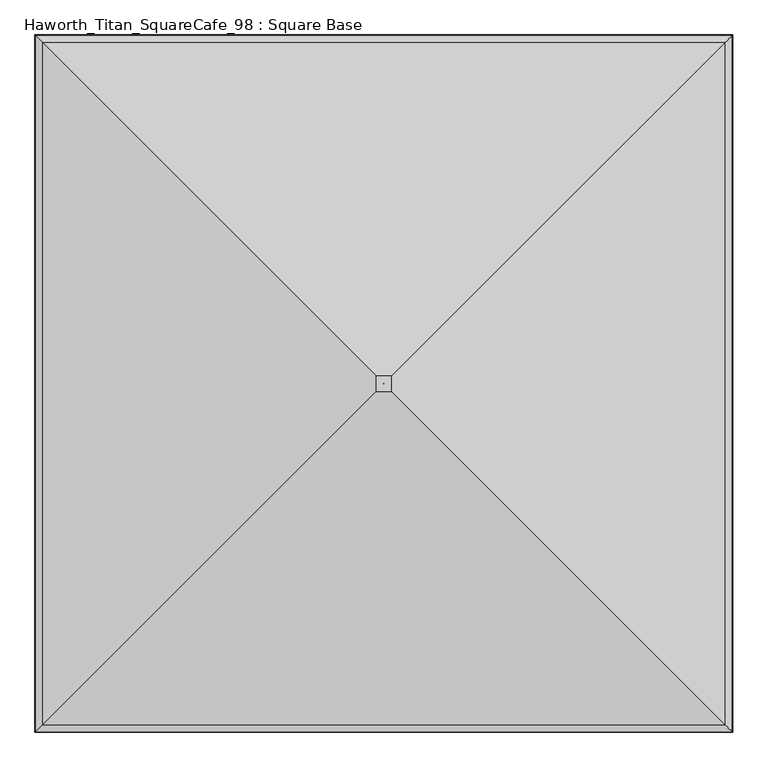
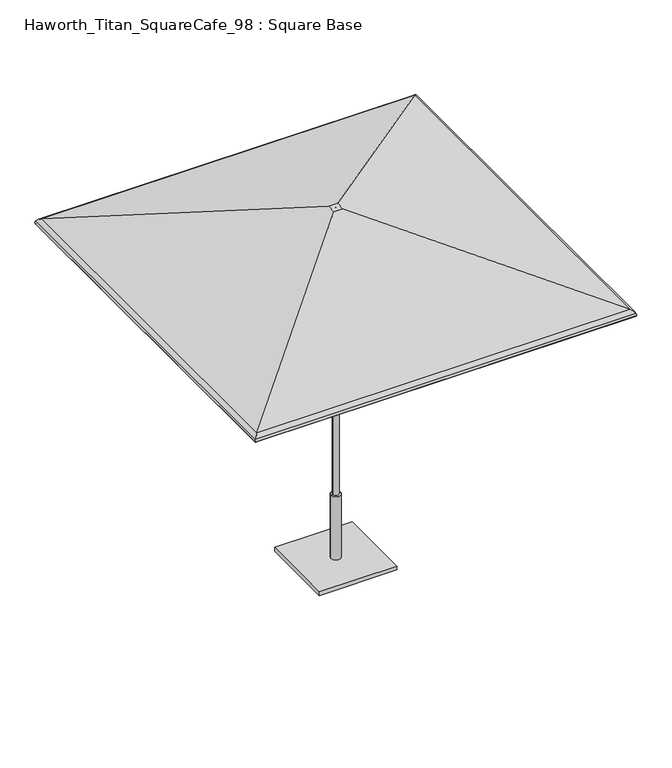
"""IFC4 building model written with IfcOpenShell, lengths in millimetres: furniture geometry, Haworth_Titan_SquareCafe_98 : Square Base."""

from ifc_helpers import new_model, si_unit, frame, origin, origin_with_axes, place, context, project, spatial, polyline, circle_curve, ellipse_curve, outline, extrude, source, transform, mapped, element, save
from ifc_brep_helpers import plane_surface, cylinder_surface, revolved_surface, advanced_brep


def haworth_titan_squarecafe_98_square_base_a82ced03(model_context):
    return source(origin(), model_context, "Body", "SolidModel", [
        advanced_brep(
        [(1223.4008004, -1227.8003535, 2056.1384861), (29.1271987, -33.5267518, 2448.9851097), (-29.1271987, -33.5267518, 2448.9851097), (-1223.4008004, -1227.8003535, 2056.1384861), (1247.9240129, -1252.323566, 2036.3991387), (-1247.9240129, -1252.323566, 2036.3991387), (1250.4423911, -1254.8419442, 2016.9581742), (-1250.4423911, -1254.8419442, 2016.9581742), (1246.050839, -1250.4503921, 2018.201129), (-1246.050839, -1250.4503921, 2018.201129), (1243.9941233, -1248.3936765, 2034.0782262), (-1243.9941233, -1248.3936765, 2034.0782262), (1221.9738888, -1226.3734419, 2051.8032133), (-1221.9738888, -1226.3734419, 2051.8032133), (28.3958193, -32.7953724, 2444.4210472), (-28.3958193, -32.7953724, 2444.4210472), (0.1068966, -4.5064497, 2448.9851097), (0.1068966, -4.5064497, 2444.4210472), (-0.1068966, -4.5064497, 2444.4210472), (-0.1068966, -4.5064497, 2448.9851097), (-29.1271987, 25.4668702, 2448.9851097), (-1223.4008004, 1219.740472, 2056.1384861), (-1247.9240129, 1244.2636844, 2036.3991387), (-1250.4423911, 1246.7820627, 2016.9581742), (-1246.050839, 1242.3905106, 2018.201129), (-1243.9941233, 1240.3337949, 2034.0782262), (-1221.9738888, 1218.3135603, 2051.8032133), (-28.3958193, 24.7354908, 2444.4210472), (-0.1068966, -3.5534318, 2444.4210472), (-0.1068966, -3.5534318, 2448.9851097), (29.1271987, 25.4668702, 2448.9851097), (1223.4008004, 1219.740472, 2056.1384861), (1247.9240129, 1244.2636844, 2036.3991387), (1250.4423911, 1246.7820627, 2016.9581742), (1246.050839, 1242.3905106, 2018.201129), (1243.9941233, 1240.3337949, 2034.0782262), (1221.9738888, 1218.3135603, 2051.8032133), (28.3958193, 24.7354908, 2444.4210472), (0.1068966, -3.5534318, 2444.4210472), (0.1068966, -3.5534318, 2448.9851097)],
        [
            (0, 1),
            (1, 2),
            (2, 3),
            (3, 0),
            (4, 0, ellipse_curve(frame((1209.4091708, -1213.8087239, 2013.6530594), z_axis=(-0.707106781186547, -0.7071067811865481, 0.0), x_axis=(0.707106781186548, -0.7071067811865471, 0.0)), 63.2578403, 44.7300479)),
            (3, 5, ellipse_curve(frame((-1209.4091708, -1213.8087239, 2013.6530594), z_axis=(0.7071067811865491, -0.7071067811865459, 0.0), x_axis=(0.7071067811865458, 0.7071067811865491, 0.0)), 63.2578403, 44.7300479)),
            (5, 4),
            (6, 4, ellipse_curve(frame((1226.48639, -1230.8859431, 2023.7385164), z_axis=(-0.707106781186547, -0.7071067811865481, 0.0), x_axis=(0.707106781186548, -0.7071067811865471, 0.0)), 35.2097438, 24.8970486)),
            (5, 7, ellipse_curve(frame((-1226.48639, -1230.8859431, 2023.7385164), z_axis=(0.7071067811865491, -0.7071067811865459, 0.0), x_axis=(0.7071067811865458, 0.7071067811865491, 0.0)), 35.2097438, 24.8970486)),
            (7, 6),
            (8, 6, ellipse_curve(frame((1248.2466151, -1252.6461682, 2017.5796516), z_axis=(-0.707106781186547, -0.7071067811865481, 0.0), x_axis=(0.707106781186548, -0.7071067811865471, 0.0)), 3.2272795, 2.2820312)),
            (7, 9, ellipse_curve(frame((-1248.2466151, -1252.6461682, 2017.5796516), z_axis=(0.7071067811865491, -0.7071067811865459, 0.0), x_axis=(0.7071067811865458, 0.7071067811865491, 0.0)), 3.2272795, 2.2820312)),
            (9, 8),
            (10, 8, ellipse_curve(frame((1226.48639, -1230.8859431, 2023.7385164), z_axis=(0.707106781186547, 0.7071067811865481, 0.0), x_axis=(-0.707106781186548, 0.7071067811865471, 0.0)), 28.7551847, 20.3329861)),
            (9, 11, ellipse_curve(frame((-1226.48639, -1230.8859431, 2023.7385164), z_axis=(-0.7071067811865491, 0.7071067811865459, 0.0), x_axis=(-0.7071067811865458, -0.7071067811865491, 0.0)), 28.7551847, 20.3329861)),
            (11, 10),
            (12, 10, ellipse_curve(frame((1209.4091708, -1213.8087239, 2013.6530594), z_axis=(0.707106781186547, 0.7071067811865481, 0.0), x_axis=(-0.707106781186548, 0.7071067811865471, 0.0)), 56.8032813, 40.1659854)),
            (11, 13, ellipse_curve(frame((-1209.4091708, -1213.8087239, 2013.6530594), z_axis=(-0.7071067811865491, 0.7071067811865459, 0.0), x_axis=(-0.7071067811865458, -0.7071067811865491, 0.0)), 56.8032813, 40.1659854)),
            (13, 12),
            (14, 12),
            (13, 15),
            (15, 14),
            (16, 17),
            (17, 18),
            (18, 19),
            (19, 16),
            (2, 20),
            (20, 21),
            (21, 3),
            (21, 22, ellipse_curve(frame((-1209.4091708, 1205.7488423, 2013.6530594), z_axis=(-0.7071067811865482, -0.7071067811865469, 0.0), x_axis=(0.707106781186547, -0.707106781186548, 0.0)), 63.2578403, 44.7300479)),
            (22, 5),
            (22, 23, ellipse_curve(frame((-1226.48639, 1222.8260616, 2023.7385164), z_axis=(-0.7071067811865482, -0.7071067811865469, 0.0), x_axis=(0.707106781186547, -0.707106781186548, 0.0)), 35.2097438, 24.8970486)),
            (23, 7),
            (23, 24, ellipse_curve(frame((-1248.2466151, 1244.5862866, 2017.5796516), z_axis=(-0.7071067811865482, -0.7071067811865469, 0.0), x_axis=(0.707106781186547, -0.707106781186548, 0.0)), 3.2272795, 2.2820312)),
            (24, 9),
            (24, 25, ellipse_curve(frame((-1226.48639, 1222.8260616, 2023.7385164), z_axis=(0.7071067811865482, 0.7071067811865469, 0.0), x_axis=(-0.707106781186547, 0.707106781186548, 0.0)), 28.7551847, 20.3329861)),
            (25, 11),
            (25, 26, ellipse_curve(frame((-1209.4091708, 1205.7488423, 2013.6530594), z_axis=(0.7071067811865482, 0.7071067811865469, 0.0), x_axis=(-0.707106781186547, 0.707106781186548, 0.0)), 56.8032813, 40.1659854)),
            (26, 13),
            (26, 27),
            (27, 15),
            (18, 28),
            (28, 29),
            (29, 19),
            (20, 30),
            (30, 31),
            (31, 21),
            (31, 32, ellipse_curve(frame((1209.4091708, 1205.7488423, 2013.6530594), z_axis=(-0.7071067811865458, 0.7071067811865492, 0.0), x_axis=(-0.7071067811865492, -0.7071067811865458, 0.0)), 63.2578403, 44.7300479)),
            (32, 22),
            (32, 33, ellipse_curve(frame((1226.48639, 1222.8260616, 2023.7385164), z_axis=(-0.7071067811865458, 0.7071067811865492, 0.0), x_axis=(-0.7071067811865492, -0.7071067811865458, 0.0)), 35.2097438, 24.8970486)),
            (33, 23),
            (33, 34, ellipse_curve(frame((1248.2466151, 1244.5862866, 2017.5796516), z_axis=(-0.7071067811865458, 0.7071067811865492, 0.0), x_axis=(-0.7071067811865492, -0.7071067811865458, 0.0)), 3.2272795, 2.2820312)),
            (34, 24),
            (34, 35, ellipse_curve(frame((1226.48639, 1222.8260616, 2023.7385164), z_axis=(0.7071067811865458, -0.7071067811865492, 0.0), x_axis=(0.7071067811865492, 0.7071067811865458, 0.0)), 28.7551847, 20.3329861)),
            (35, 25),
            (35, 36, ellipse_curve(frame((1209.4091708, 1205.7488423, 2013.6530594), z_axis=(0.7071067811865458, -0.7071067811865492, 0.0), x_axis=(0.7071067811865492, 0.7071067811865458, 0.0)), 56.8032813, 40.1659854)),
            (36, 26),
            (36, 37),
            (37, 27),
            (28, 38),
            (38, 39),
            (39, 29),
            (30, 1),
            (0, 31),
            (4, 32),
            (6, 33),
            (8, 34),
            (10, 35),
            (12, 36),
            (14, 37),
            (17, 38),
            (16, 39),
        ],
        [
            plane_surface(frame((29.1271987, -33.5267518, 2448.9851097), z_axis=(0.0, -0.3124708984398308, 0.9499273328145712), x_axis=(-1.0, 0.0, 0.0))),
            cylinder_surface(frame((1267.8016718, -1213.8087239, 2013.6530594), z_axis=(1.0, 0.0, 0.0), x_axis=(0.0, -1.0, 0.0)), 44.7300479),
            cylinder_surface(frame((1267.8016718, -1230.8859431, 2023.7385164), z_axis=(1.0, 0.0, 0.0), x_axis=(0.0, -1.0, 0.0)), 24.8970486),
            cylinder_surface(frame((1267.8016718, -1252.6461682, 2017.5796516), z_axis=(1.0, 0.0, 0.0), x_axis=(0.0, -1.0, 0.0)), 2.2820312),
            revolved_surface(polyline([(-1246.8193760956415, -1251.2189292, 2023.7385164), (1246.8193760956417, -1251.2189292, 2023.7385164)]), (1267.8016718, -1230.8859431, 2023.7385164), (-1.0, 0.0, 0.0)),
            revolved_surface(polyline([(-1249.5751562008768, -1253.9747092999999, 2013.6530594), (1249.575156200877, -1253.9747092999999, 2013.6530594)]), (1267.8016718, -1213.8087239, 2013.6530594), (-1.0, 0.0, 0.0)),
            plane_surface(frame((1221.9738888, -1226.3734419, 2051.8032133), z_axis=(0.0, 0.3124708984398308, -0.9499273328145712), x_axis=(-1.0, 0.0, 0.0))),
            plane_surface(frame((0.1068966, -4.5064497, 2444.4210472), z_axis=(-1.2662550629033169e-12, 1.0, 0.0), x_axis=(-1.0, -1.2662550629033169e-12, 0.0))),
            plane_surface(frame((-29.1271987, -33.5267518, 2448.9851097), z_axis=(-0.3124708984398277, 0.0, 0.9499273328145722), x_axis=(0.0, 1.0, 0.0))),
            cylinder_surface(frame((-1209.4091708, -1272.2012249, 2013.6530594), z_axis=(0.0, -1.0, 0.0), x_axis=(-1.0, 0.0, 0.0)), 44.7300479),
            cylinder_surface(frame((-1226.48639, -1272.2012249, 2023.7385164), z_axis=(0.0, -1.0, 0.0), x_axis=(-1.0, 0.0, 0.0)), 24.8970486),
            cylinder_surface(frame((-1248.2466151, -1272.2012249, 2017.5796516), z_axis=(0.0, -1.0, 0.0), x_axis=(-1.0, 0.0, 0.0)), 2.2820312),
            revolved_surface(polyline([(-1246.8193761, 1243.1590476956417, 2023.7385164), (-1246.8193761, -1251.2189291956417, 2023.7385164)]), (-1226.48639, -1272.2012249, 2023.7385164), (0.0, 1.0, 0.0)),
            revolved_surface(polyline([(-1249.5751562, 1245.9148277008771, 2013.6530594), (-1249.5751562, -1253.974709300877, 2013.6530594)]), (-1209.4091708, -1272.2012249, 2013.6530594), (0.0, 1.0, 0.0)),
            plane_surface(frame((-1221.9738888, -1226.3734419, 2051.8032133), z_axis=(0.3124708984398277, 0.0, -0.9499273328145722), x_axis=(0.0, 1.0, 0.0))),
            plane_surface(frame((-0.1068966, -4.5064497, 2444.4210472), z_axis=(1.0, 0.0, 0.0), x_axis=(0.0, 1.0, 0.0))),
            plane_surface(frame((-29.1271987, 25.4668702, 2448.9851097), z_axis=(0.0, 0.31247089843983084, 0.9499273328145712), x_axis=(1.0, 0.0, 0.0))),
            cylinder_surface(frame((-1267.8016718, 1205.7488423, 2013.6530594), z_axis=(-1.0, 0.0, 0.0), x_axis=(0.0, 1.0, 0.0)), 44.7300479),
            cylinder_surface(frame((-1267.8016718, 1222.8260616, 2023.7385164), z_axis=(-1.0, 0.0, 0.0), x_axis=(0.0, 1.0, 0.0)), 24.8970486),
            cylinder_surface(frame((-1267.8016718, 1244.5862866, 2017.5796516), z_axis=(-1.0, 0.0, 0.0), x_axis=(0.0, 1.0, 0.0)), 2.2820312),
            revolved_surface(polyline([(1246.819376095642, 1243.1590477, 2023.7385164), (-1246.8193760956417, 1243.1590477, 2023.7385164)]), (-1267.8016718, 1222.8260616, 2023.7385164), (1.0, 0.0, 0.0)),
            revolved_surface(polyline([(1249.5751562008772, 1245.9148277, 2013.6530594), (-1249.575156200877, 1245.9148277, 2013.6530594)]), (-1267.8016718, 1205.7488423, 2013.6530594), (1.0, 0.0, 0.0)),
            plane_surface(frame((-1221.9738888, 1218.3135603, 2051.8032133), z_axis=(0.0, -0.31247089843983084, -0.9499273328145712), x_axis=(1.0, 0.0, 0.0))),
            plane_surface(frame((-0.1068966, -3.5534318, 2444.4210472), z_axis=(-1.2662550628904897e-12, -1.0, 0.0), x_axis=(1.0, -1.2662550628904897e-12, 0.0))),
            plane_surface(frame((29.1271987, 25.4668702, 2448.9851097), z_axis=(0.312470898439834, 0.0, 0.9499273328145701), x_axis=(0.0, -1.0, 0.0))),
            cylinder_surface(frame((1209.4091708, 1264.1413433, 2013.6530594), z_axis=(0.0, 1.0, 0.0), x_axis=(1.0, 0.0, 0.0)), 44.7300479),
            cylinder_surface(frame((1226.48639, 1264.1413433, 2023.7385164), z_axis=(0.0, 1.0, 0.0), x_axis=(1.0, 0.0, 0.0)), 24.8970486),
            cylinder_surface(frame((1248.2466151, 1264.1413433, 2017.5796516), z_axis=(0.0, 1.0, 0.0), x_axis=(1.0, 0.0, 0.0)), 2.2820312),
            revolved_surface(polyline([(1246.8193761, -1251.2189291956413, 2023.7385164), (1246.8193761, 1243.1590476956417, 2023.7385164)]), (1226.48639, 1264.1413433, 2023.7385164), (0.0, -1.0, 0.0)),
            revolved_surface(polyline([(1249.5751562, -1253.974709300877, 2013.6530594), (1249.5751562, 1245.914827700877, 2013.6530594)]), (1209.4091708, 1264.1413433, 2013.6530594), (0.0, -1.0, 0.0)),
            plane_surface(frame((1221.9738888, 1218.3135603, 2051.8032133), z_axis=(-0.312470898439834, 0.0, -0.9499273328145701), x_axis=(0.0, -1.0, 0.0))),
            plane_surface(frame((28.3958193, 24.7354908, 2444.4210472), z_axis=(0.0, 0.0, -1.0), x_axis=(0.0, -1.0, 0.0))),
            plane_surface(frame((0.1068966, -3.5534318, 2444.4210472), z_axis=(-1.0, 0.0, 0.0), x_axis=(0.0, -1.0, 0.0))),
            plane_surface(frame((0.1068966, -3.5534318, 2448.9851097), z_axis=(0.0, 0.0, 1.0), x_axis=(0.0, -1.0, 0.0))),
        ],
        [
            (0, [[1, 2, 3, 4]]),
            (1, [[5, -4, 6, 7]]),
            (2, [[8, -7, 9, 10]]),
            (3, [[11, -10, 12, 13]]),
            (4, [[14, -13, 15, 16]]),
            (5, [[17, -16, 18, 19]]),
            (6, [[20, -19, 21, 22]]),
            (7, [[23, 24, 25, 26]]),
            (8, [[-3, 27, 28, 29]]),
            (9, [[-6, -29, 30, 31]]),
            (10, [[-9, -31, 32, 33]]),
            (11, [[-12, -33, 34, 35]]),
            (12, [[-15, -35, 36, 37]]),
            (13, [[-18, -37, 38, 39]]),
            (14, [[-21, -39, 40, 41]]),
            (15, [[-25, 42, 43, 44]]),
            (16, [[-28, 45, 46, 47]]),
            (17, [[-30, -47, 48, 49]]),
            (18, [[-32, -49, 50, 51]]),
            (19, [[-34, -51, 52, 53]]),
            (20, [[-36, -53, 54, 55]]),
            (21, [[-38, -55, 56, 57]]),
            (22, [[-40, -57, 58, 59]]),
            (23, [[-43, 60, 61, 62]]),
            (24, [[-46, 63, -1, 64]]),
            (25, [[-48, -64, -5, 65]]),
            (26, [[-50, -65, -8, 66]]),
            (27, [[-52, -66, -11, 67]]),
            (28, [[-54, -67, -14, 68]]),
            (29, [[-56, -68, -17, 69]]),
            (30, [[-58, -69, -20, 70]]),
            (31, [[-41, -59, -70, -22], [71, -60, -42, -24]]),
            (32, [[-61, -71, -23, 72]]),
            (33, [[-63, -45, -27, -2], [-44, -62, -72, -26]]),
        ],
    ),
        advanced_brep(
        [(-19.05, -4.0299408, 463.5500121), (19.05, -4.0299408, 463.5500121), (31.7499992, -4.0299408, 463.5500121), (-31.7499992, -4.0299408, 463.5500121), (-19.05, -4.0299408, 1873.1507813), (19.05, -4.0299408, 1873.1507813), (0.0, -4.0299408, 1873.1507813), (-31.7499992, -4.0299408, 25.4), (31.7499992, -4.0299408, 25.4), (0.0, -4.0299408, 25.4)],
        [
            (0, 1, circle_curve(frame((0.0, -4.0299408, 463.5500121), z_axis=(0.0, 0.0, -1.0), x_axis=(1.0, 0.0, 0.0)), 19.05)),
            (1, 2),
            (2, 3, circle_curve(frame((0.0, -4.0299408, 463.5500121), z_axis=(0.0, 0.0, 1.0), x_axis=(1.0, 0.0, 0.0)), 31.7499992)),
            (3, 0),
            (1, 0, circle_curve(frame((0.0, -4.0299408, 463.5500121), z_axis=(0.0, 0.0, -1.0), x_axis=(1.0, 0.0, 0.0)), 19.05)),
            (3, 2, circle_curve(frame((0.0, -4.0299408, 463.5500121), z_axis=(0.0, 0.0, 1.0), x_axis=(1.0, 0.0, 0.0)), 31.7499992)),
            (4, 5, circle_curve(frame((0.0, -4.0299408, 1873.1507813), z_axis=(0.0, 0.0, -1.0), x_axis=(1.0, 0.0, 0.0)), 19.05)),
            (5, 1),
            (0, 4),
            (5, 4, circle_curve(frame((0.0, -4.0299408, 1873.1507813), z_axis=(0.0, 0.0, -1.0), x_axis=(1.0, 0.0, 0.0)), 19.05)),
            (6, 5),
            (4, 6),
            (7, 8, circle_curve(frame((0.0, -4.0299408, 25.4), z_axis=(0.0, 0.0, -1.0), x_axis=(1.0, 0.0, 0.0)), 31.7499992)),
            (8, 9),
            (9, 7),
            (8, 7, circle_curve(frame((0.0, -4.0299408, 25.4), z_axis=(0.0, 0.0, -1.0), x_axis=(1.0, 0.0, 0.0)), 31.7499992)),
            (2, 8),
            (7, 3),
        ],
        [
            plane_surface(frame((0.0, -4.0299408, 463.5500121), z_axis=(0.0, 0.0, 1.0), x_axis=(1.0, 0.0, 0.0))),
            cylinder_surface(frame((0.0, -4.0299408, 2736.7507813), z_axis=(0.0, 0.0, 1.0), x_axis=(1.0, 0.0, 0.0)), 19.05),
            plane_surface(frame((0.0, -4.0299408, 1873.1507813), z_axis=(0.0, 0.0, 1.0), x_axis=(1.0, 0.0, 0.0))),
            plane_surface(frame((0.0, -4.0299408, 25.4), z_axis=(0.0, 0.0, -1.0), x_axis=(1.0, 0.0, 0.0))),
            cylinder_surface(frame((0.0, -4.0299408, 2736.7507813), z_axis=(0.0, 0.0, 1.0), x_axis=(1.0, 0.0, 0.0)), 31.7499992),
        ],
        [
            (0, [[1, 2, 3, 4]]),
            (0, [[5, -4, 6, -2]]),
            (1, [[7, 8, -1, 9]]),
            (1, [[10, -9, -5, -8]]),
            (2, [[11, -7, 12]]),
            (2, [[-12, -10, -11]]),
            (3, [[13, 14, 15]]),
            (3, [[16, -15, -14]]),
            (4, [[-3, 17, -13, 18]]),
            (4, [[-6, -18, -16, -17]]),
        ],
    ),
        extrude(outline(polyline([(254.0, 249.9700592), (254.0, -258.0299408), (-254.0, -258.0299408), (-254.0, 249.9700592), (254.0, 249.9700592)])), origin_with_axes(), (0.0, 0.0, 1.0), 25.4),
    ])


if __name__ == "__main__":
    model = new_model("IFC4")
    model_context = context("Model", 3, world=origin())
    ifc_project = project(units=[si_unit("LENGTHUNIT", "METRE", prefix="MILLI")], contexts=[model_context])
    site = spatial("IfcSite", under=ifc_project)
    building = spatial("IfcBuilding", under=site)
    placement = place(None, origin())
    haworth_titan_squarecafe_98_square_base_shape = haworth_titan_squarecafe_98_square_base_a82ced03(model_context)
    element("IfcFurniture", 1, ObjectType="Haworth_Titan_SquareCafe_98 : Square Base", at=placement, inside=building, context=model_context, shape_type="MappedRepresentation", body=[
        mapped(haworth_titan_squarecafe_98_square_base_shape, transform((0.0, 0.0, 0.0), x_axis=(1.0, 0.0, 0.0), y_axis=(0.0, 1.0, 0.0), z_axis=(0.0, 0.0, 1.0))),
    ])
    save(model, "model.ifc")
